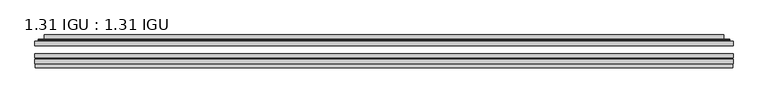
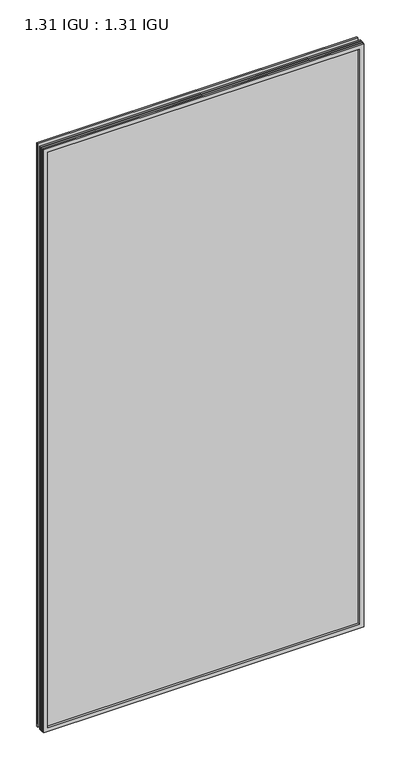
"""IFC4 building model written with IfcOpenShell, lengths in millimetres: plate geometry, 1.31 IGU : 1.31 IGU."""

from ifc_helpers import new_model, si_unit, frame, origin, place, context, project, spatial, polyline, ellipse_curve, outline, extrude, faceted_brep, source, transform, mapped, element, save
from ifc_brep_helpers import plane_surface, cylinder_surface, advanced_brep


def plate_1_31_igu_1_31_igu_1b854a3b(model_context):
    return source(origin(), model_context, "Body", "SolidModel", [
        extrude(outline(polyline([(525.8154342, -63.59525), (525.8154342, -69.94525), (-525.8012593, -69.94525), (-525.8012593, -63.59525), (525.8154342, -63.59525)])), frame((0.0, 0.0, -14.2875), z_axis=(0.0, 0.0, 1.0), x_axis=(1.0, 0.0, 0.0)), (0.0, 0.0, 1.0), 2022.4787979),
        extrude(outline(polyline([(-525.8012593, -78.58125), (-525.8012593, -72.230745), (525.8154342, -72.230745), (525.8154342, -78.58125), (-525.8012593, -78.58125)])), frame((0.0, 0.0, -14.2875), z_axis=(0.0, 0.0, 1.0), x_axis=(1.0, 0.0, 0.0)), (0.0, 0.0, 1.0), 2022.4787979),
        extrude(outline(polyline([(525.8154342, -45.25645), (525.8154342, -51.60645), (-525.8012593, -51.60645), (-525.8012593, -45.25645), (525.8154342, -45.25645)])), frame((0.0, 0.0, -14.2875), z_axis=(0.0, 0.0, 1.0), x_axis=(1.0, 0.0, 0.0)), (0.0, 0.0, 1.0), 2022.4787979),
        faceted_brep([(-525.1010735, -84.93125, 2007.4873142), (-525.1010735, -78.58125, 2007.4873142), (-525.1010735, -78.58125, -13.5873142), (-525.1010735, -84.93125, -13.5873142), (525.1010735, -78.58125, -13.5873142), (525.1010735, -84.93125, -13.5873142), (525.1010735, -78.58125, 2007.4873142), (525.1010735, -84.93125, 2007.4873142), (-510.6160151, -78.58125, 0.8977441), (510.6160151, -78.58125, 0.8977441), (510.6160151, -78.58125, 1993.0022559), (-510.6160151, -78.58125, 1993.0022559), (-511.5084494, -84.93125, 1993.8946902), (511.5084494, -84.93125, 1993.8946902), (511.5084494, -84.93125, 0.0053098), (-511.5084494, -84.93125, 0.0053098)], [[[0, 1, 2, 3]], [[3, 2, 4, 5]], [[5, 4, 6, 7]], [[1, 6, 4, 2], [8, 9, 10, 11]], [[7, 6, 1, 0]], [[3, 5, 7, 0], [12, 13, 14, 15]], [[11, 12, 15, 8]], [[8, 15, 14, 9]], [[9, 14, 13, 10]], [[10, 13, 12, 11]]]),
        advanced_brep(
        [(-518.5599783, -45.25645, 2000.946219), (-520.9141837, -43.2667833, 2003.3004244), (-520.9141837, -43.2667833, -9.4004244), (-518.5599783, -45.25645, -7.046219), (-509.4856532, -41.416413, 1991.8718939), (-504.5508213, -45.25645, 1986.9370621), (-504.5508213, -45.25645, 6.9629379), (-509.4856532, -41.416413, 2.0281061), (-510.5176809, -36.0191819, 1992.9039217), (-510.5176809, -36.0191819, 0.9960783), (-511.5083377, -35.6202069, 1993.8945784), (-511.5083377, -35.6202069, 0.0054216), (-511.5083377, -42.08145, 1993.8945784), (-511.5083377, -42.08145, 0.0054216), (-519.9123941, -42.08145, 2002.2986349), (-519.9123941, -42.08145, -8.3986349), (520.9141837, -43.2667833, -9.4004244), (518.5599783, -45.25645, -7.046219), (504.5508213, -45.25645, 6.9629379), (509.4856532, -41.416413, 2.0281061), (510.5176809, -36.0191819, 0.9960783), (511.5083377, -35.6202069, 0.0054216), (511.5083377, -42.08145, 0.0054216), (519.9123941, -42.08145, -8.3986349), (520.9141837, -43.2667833, 2003.3004244), (518.5599783, -45.25645, 2000.946219), (504.5508213, -45.25645, 1986.9370621), (509.4856532, -41.416413, 1991.8718939), (510.5176809, -36.0191819, 1992.9039217), (511.5083377, -35.6202069, 1993.8945784), (511.5083377, -42.08145, 1993.8945784), (519.9123941, -42.08145, 2002.2986349)],
        [
            (0, 1, ellipse_curve(frame((-518.5599783, -42.86885, 2000.946219), z_axis=(-0.7071067811865475, 0.0, -0.7071067811865475), x_axis=(-0.7071067811865474, 0.0, 0.7071067811865476)), 3.3765763, 2.3876)),
            (1, 2),
            (2, 3, ellipse_curve(frame((-518.5599783, -42.86885, -7.046219), z_axis=(-0.7071067811865475, 0.0, 0.7071067811865475), x_axis=(0.7071067811865474, 0.0, 0.7071067811865476)), 3.3765763, 2.3876)),
            (3, 0),
            (4, 5),
            (5, 6),
            (6, 7),
            (7, 4),
            (8, 4),
            (7, 9),
            (9, 8),
            (10, 8, ellipse_curve(frame((-511.1413811, -36.1384423, 1993.5276219), z_axis=(-0.7071067811865475, 0.0, -0.7071067811865475), x_axis=(-0.7071067811865474, 0.0, 0.7071067811865476)), 0.8980256, 0.635)),
            (9, 11, ellipse_curve(frame((-511.1413811, -36.1384423, 0.3723781), z_axis=(-0.7071067811865475, 0.0, 0.7071067811865475), x_axis=(0.7071067811865474, 0.0, 0.7071067811865476)), 0.8980256, 0.635)),
            (11, 10),
            (12, 10),
            (11, 13),
            (13, 12),
            (1, 14, ellipse_curve(frame((-519.9123941, -43.09745, 2002.2986349), z_axis=(-0.7071067811865475, 0.0, -0.7071067811865475), x_axis=(-0.7071067811865474, 0.0, 0.7071067811865476)), 1.436841, 1.016)),
            (14, 15),
            (15, 2, ellipse_curve(frame((-519.9123941, -43.09745, -8.3986349), z_axis=(-0.7071067811865475, 0.0, 0.7071067811865475), x_axis=(0.7071067811865474, 0.0, 0.7071067811865476)), 1.436841, 1.016)),
            (2, 16),
            (16, 17, ellipse_curve(frame((518.5599783, -42.86885, -7.046219), z_axis=(-0.7071067811865475, 0.0, -0.7071067811865475), x_axis=(-0.7071067811865476, 0.0, 0.7071067811865474)), 3.3765763, 2.3876)),
            (17, 3),
            (6, 18),
            (18, 19),
            (19, 7),
            (19, 20),
            (20, 9),
            (20, 21, ellipse_curve(frame((511.1413811, -36.1384423, 0.3723781), z_axis=(-0.7071067811865475, 0.0, -0.7071067811865475), x_axis=(-0.7071067811865476, 0.0, 0.7071067811865474)), 0.8980256, 0.635)),
            (21, 11),
            (21, 22),
            (22, 13),
            (15, 23),
            (23, 16, ellipse_curve(frame((519.9123941, -43.09745, -8.3986349), z_axis=(-0.7071067811865475, 0.0, -0.7071067811865475), x_axis=(-0.7071067811865476, 0.0, 0.7071067811865474)), 1.436841, 1.016)),
            (16, 24),
            (24, 25, ellipse_curve(frame((518.5599783, -42.86885, 2000.946219), z_axis=(0.7071067811865475, 0.0, -0.7071067811865475), x_axis=(-0.7071067811865474, 0.0, -0.7071067811865476)), 3.3765763, 2.3876)),
            (25, 17),
            (18, 26),
            (26, 27),
            (27, 19),
            (27, 28),
            (28, 20),
            (28, 29, ellipse_curve(frame((511.1413811, -36.1384423, 1993.5276219), z_axis=(0.7071067811865475, 0.0, -0.7071067811865475), x_axis=(-0.7071067811865474, 0.0, -0.7071067811865476)), 0.8980256, 0.635)),
            (29, 21),
            (29, 30),
            (30, 22),
            (23, 31),
            (31, 24, ellipse_curve(frame((519.9123941, -43.09745, 2002.2986349), z_axis=(0.7071067811865475, 0.0, -0.7071067811865475), x_axis=(-0.7071067811865474, 0.0, -0.7071067811865476)), 1.436841, 1.016)),
            (24, 1),
            (0, 25),
            (5, 26),
            (4, 27),
            (8, 28),
            (10, 29),
            (12, 30),
            (14, 31),
        ],
        [
            cylinder_surface(frame((-518.5599783, -42.86885, 2025.65), z_axis=(0.0, 0.0, 1.0), x_axis=(-1.0, 0.0, 0.0)), 2.3876),
            plane_surface(frame((-504.5508213, -45.25645, 1986.9370621), z_axis=(0.6141233906514794, 0.7892100234124821, 0.0), x_axis=(0.0, 0.0, -1.0))),
            plane_surface(frame((-509.4856532, -41.416413, 1991.8718939), z_axis=(0.9822050625507729, 0.18781164793386074, 0.0), x_axis=(0.0, 0.0, -1.0))),
            cylinder_surface(frame((-511.1413811, -36.1384423, 2025.65), z_axis=(0.0, 0.0, 1.0), x_axis=(-1.0, 0.0, 0.0)), 0.635),
            plane_surface(frame((-511.5083377, -35.6202069, 1993.8945784), z_axis=(-1.0, 0.0, 0.0), x_axis=(0.0, 0.0, -1.0))),
            cylinder_surface(frame((-519.9123941, -43.09745, 2025.65), z_axis=(0.0, 0.0, 1.0), x_axis=(-1.0, 0.0, 0.0)), 1.016),
            cylinder_surface(frame((-543.2637593, -42.86885, -7.046219), z_axis=(-1.0, 0.0, 0.0), x_axis=(0.0, 0.0, -1.0)), 2.3876),
            plane_surface(frame((-504.5508213, -45.25645, 6.9629379), z_axis=(0.0, 0.7892100234124841, 0.6141233906514768), x_axis=(1.0, 0.0, 0.0))),
            plane_surface(frame((-509.4856532, -41.416413, 2.0281061), z_axis=(0.0, 0.18781164793386393, 0.9822050625507723), x_axis=(1.0, 0.0, 0.0))),
            cylinder_surface(frame((-543.2637593, -36.1384423, 0.3723781), z_axis=(-1.0, 0.0, 0.0), x_axis=(0.0, 0.0, -1.0)), 0.635),
            plane_surface(frame((-511.5083377, -35.6202069, 0.0054216), z_axis=(0.0, 0.0, -1.0), x_axis=(1.0, 0.0, 0.0))),
            cylinder_surface(frame((-543.2637593, -43.09745, -8.3986349), z_axis=(-1.0, 0.0, 0.0), x_axis=(0.0, 0.0, -1.0)), 1.016),
            cylinder_surface(frame((518.5599783, -42.86885, -31.75), z_axis=(0.0, 0.0, -1.0), x_axis=(1.0, 0.0, 0.0)), 2.3876),
            plane_surface(frame((504.5508213, -45.25645, 6.9629379), z_axis=(-0.6141233906514743, 0.7892100234124861, 0.0), x_axis=(0.0, 0.0, 1.0))),
            plane_surface(frame((509.4856532, -41.416413, 2.0281061), z_axis=(-0.9822050625507718, 0.18781164793386712, 0.0), x_axis=(0.0, 0.0, 1.0))),
            cylinder_surface(frame((511.1413811, -36.1384423, -31.75), z_axis=(0.0, 0.0, -1.0), x_axis=(1.0, 0.0, 0.0)), 0.635),
            plane_surface(frame((511.5083377, -35.6202069, 0.0054216), z_axis=(1.0, 0.0, 0.0), x_axis=(0.0, 0.0, 1.0))),
            cylinder_surface(frame((519.9123941, -43.09745, -31.75), z_axis=(0.0, 0.0, -1.0), x_axis=(1.0, 0.0, 0.0)), 1.016),
            cylinder_surface(frame((543.2637593, -42.86885, 2000.946219), z_axis=(1.0, 0.0, 0.0), x_axis=(0.0, 0.0, 1.0)), 2.3876),
            plane_surface(frame((518.5599783, -45.25645, 2000.946219), z_axis=(0.0, -1.0, 0.0), x_axis=(-1.0, 0.0, 0.0))),
            plane_surface(frame((504.5508213, -45.25645, 1986.9370621), z_axis=(0.0, 0.7892100234124841, -0.6141233906514768), x_axis=(-1.0, 0.0, 0.0))),
            plane_surface(frame((509.4856532, -41.416413, 1991.8718939), z_axis=(0.0, 0.18781164793386393, -0.9822050625507723), x_axis=(-1.0, 0.0, 0.0))),
            cylinder_surface(frame((543.2637593, -36.1384423, 1993.5276219), z_axis=(1.0, 0.0, 0.0), x_axis=(0.0, 0.0, 1.0)), 0.635),
            plane_surface(frame((511.5083377, -35.6202069, 1993.8945784), z_axis=(0.0, 0.0, 1.0), x_axis=(-1.0, 0.0, 0.0))),
            plane_surface(frame((511.5083377, -42.08145, 1993.8945784), z_axis=(0.0, 1.0, 0.0), x_axis=(-1.0, 0.0, 0.0))),
            cylinder_surface(frame((543.2637593, -43.09745, 2002.2986349), z_axis=(1.0, 0.0, 0.0), x_axis=(0.0, 0.0, 1.0)), 1.016),
        ],
        [
            (0, [[1, 2, 3, 4]]),
            (1, [[5, 6, 7, 8]]),
            (2, [[9, -8, 10, 11]]),
            (3, [[12, -11, 13, 14]]),
            (4, [[15, -14, 16, 17]]),
            (5, [[18, 19, 20, -2]]),
            (6, [[-3, 21, 22, 23]]),
            (7, [[-7, 24, 25, 26]]),
            (8, [[-10, -26, 27, 28]]),
            (9, [[-13, -28, 29, 30]]),
            (10, [[-16, -30, 31, 32]]),
            (11, [[-20, 33, 34, -21]]),
            (12, [[-22, 35, 36, 37]]),
            (13, [[-25, 38, 39, 40]]),
            (14, [[-27, -40, 41, 42]]),
            (15, [[-29, -42, 43, 44]]),
            (16, [[-31, -44, 45, 46]]),
            (17, [[-34, 47, 48, -35]]),
            (18, [[-36, 49, -1, 50]]),
            (19, [[-23, -37, -50, -4], [51, -38, -24, -6]]),
            (20, [[-39, -51, -5, 52]]),
            (21, [[-41, -52, -9, 53]]),
            (22, [[-43, -53, -12, 54]]),
            (23, [[-45, -54, -15, 55]]),
            (24, [[56, -47, -33, -19], [-32, -46, -55, -17]]),
            (25, [[-48, -56, -18, -49]]),
        ],
    ),
    ])


if __name__ == "__main__":
    model = new_model("IFC4")
    model_context = context("Model", 3, world=origin())
    ifc_project = project(units=[si_unit("LENGTHUNIT", "METRE", prefix="MILLI")], contexts=[model_context])
    site = spatial("IfcSite", under=ifc_project)
    building = spatial("IfcBuilding", under=site)
    placement = place(None, origin())
    plate_1_31_igu_1_31_igu_shape = plate_1_31_igu_1_31_igu_1b854a3b(model_context)
    element("IfcPlate", 1, ObjectType="1.31 IGU : 1.31 IGU", at=placement, inside=building, context=model_context, shape_type="MappedRepresentation", body=[
        mapped(plate_1_31_igu_1_31_igu_shape, transform((0.0, 0.0, 0.0), x_axis=(1.0, 0.0, 0.0), y_axis=(0.0, 1.0, 0.0), z_axis=(0.0, 0.0, 1.0))),
    ])
    save(model, "model.ifc")
